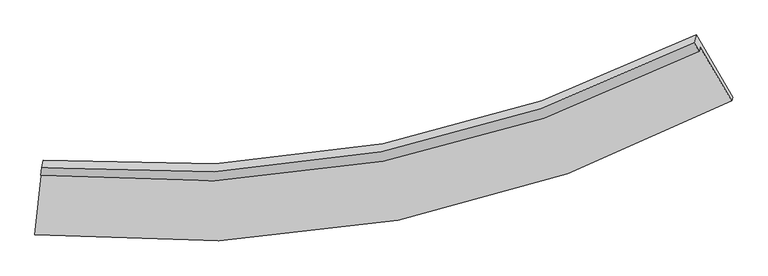
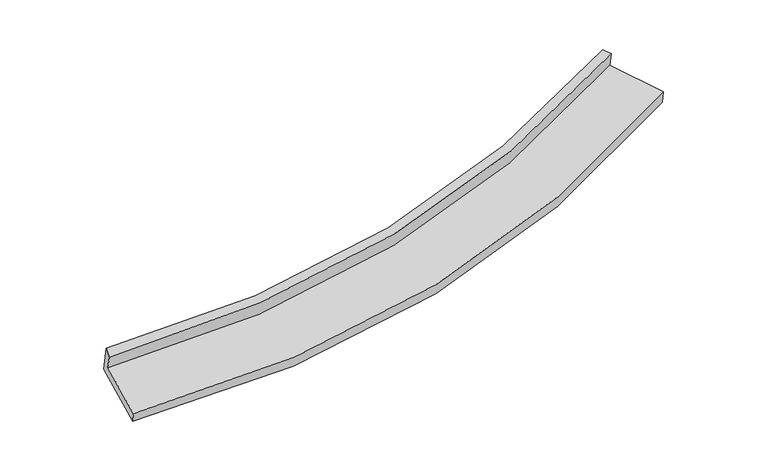
"""IFC4 building model written with IfcOpenShell, lengths in millimetres: proxy geometry."""

import ifcopenshell
import ifcopenshell.guid

model = None  # the IFC model being written
_history = None  # IfcOwnerHistory: only IFC2X3 demands one
_inside = {}  # id of a spatial element -> (the spatial element, [elements in it])
_under = {}  # id of a project, library or spatial element -> (it, [spatial elements below it])
_declared = {}  # id of a project -> (the project, [libraries it declares])
_typed = {}  # id of a type object -> (the type object, [elements of that type])
_made_of = {}  # id of a material, layer set ... -> (it, [elements and type objects made of it])


def new_model(schema):
    """Start an empty IFC model of exactly this schema.

    Asked for "IFC4X3", IfcOpenShell would pick the latest addendum, in which some entities
    have other attributes; the version numbers below select the first issue.
    IFC2X3 requires an IfcOwnerHistory on every rooted entity: one is made here for all.
    """
    global model, _history
    if schema == "IFC4X3":
        model = ifcopenshell.file(schema_version=(4, 3, 0, 0))
    else:
        model = ifcopenshell.file(schema=schema)
    _inside.clear()
    _under.clear()
    _declared.clear()
    _typed.clear()
    _made_of.clear()
    _history = None
    if model.schema == "IFC2X3":
        org = make("IfcOrganization", Name="unknown")
        user = make(
            "IfcPersonAndOrganization",
            ThePerson=make("IfcPerson", FamilyName="unknown"),
            TheOrganization=org,
        )
        app = make(
            "IfcApplication",
            ApplicationDeveloper=org,
            Version="unknown",
            ApplicationFullName="unknown",
            ApplicationIdentifier="unknown",
        )
        _history = make(
            "IfcOwnerHistory",
            OwningUser=user,
            OwningApplication=app,
            ChangeAction="ADDED",
            CreationDate=0,
        )
    return model


def make(cls, **values):
    """One entity of the class cls with the attributes given. An attribute that is None is left unset."""
    return model.create_entity(
        cls, **{name: value for name, value in values.items() if value is not None}
    )


def rooted(cls, **values):
    """An entity with a GlobalId (a new one), such as an element, a storey or a relation."""
    return make(cls, GlobalId=ifcopenshell.guid.new(), OwnerHistory=_history, **values)


def si_unit(unit_type, name, prefix=None):
    """IfcSIUnit, for example si_unit("LENGTHUNIT", "METRE", prefix="MILLI")."""
    return make("IfcSIUnit", UnitType=unit_type, Prefix=prefix, Name=name)


def assignment(units):
    """IfcUnitAssignment: the units of a project."""
    return None if units is None else make("IfcUnitAssignment", Units=units)


def point(xyz):
    """IfcCartesianPoint."""
    return None if xyz is None else make("IfcCartesianPoint", Coordinates=xyz)


def direction(xyz):
    """IfcDirection."""
    return None if xyz is None else make("IfcDirection", DirectionRatios=xyz)


def frame(location, z_axis=None, x_axis=None):
    """IfcAxis2Placement3D, a coordinate frame: its origin and axes. An axis left out is left unset."""
    return make(
        "IfcAxis2Placement3D",
        Location=point(location),
        Axis=direction(z_axis),
        RefDirection=direction(x_axis),
    )


def origin():
    """The frame at (0, 0, 0) with its axes left unset."""
    return frame((0.0, 0.0, 0.0))


def place(relative_to, where):
    """IfcLocalPlacement: puts the frame where relative to a parent placement (None: the world)."""
    return make(
        "IfcLocalPlacement", PlacementRelTo=relative_to, RelativePlacement=where
    )


def context(
    kind, dimensions, precision=None, world=None, true_north=None, identifier=None
):
    """IfcGeometricRepresentationContext, for example the 3D "Model" context."""
    return make(
        "IfcGeometricRepresentationContext",
        ContextIdentifier=identifier,
        ContextType=kind,
        CoordinateSpaceDimension=dimensions,
        Precision=precision,
        WorldCoordinateSystem=world,
        TrueNorth=true_north,
    )


def project(units=None, contexts=None):
    """IfcProject with its units and contexts."""
    return rooted(
        "IfcProject",
        Name="project",
        RepresentationContexts=contexts,
        UnitsInContext=assignment(units),
    )


def spatial(cls, under=None, at=None, **own):
    """A site, building, storey or space (cls), placed at a placement, below another one or the project."""
    s = rooted(cls, ObjectPlacement=at, **own)
    if under is not None:
        _under.setdefault(under.id(), (under, []))[1].append(s)
    return s


def shape(context_of_items, identifier, shape_type, items):
    """IfcShapeRepresentation: the items that make up one representation, for example the "Body"."""
    return make(
        "IfcShapeRepresentation",
        ContextOfItems=context_of_items,
        RepresentationIdentifier=identifier,
        RepresentationType=shape_type,
        Items=items,
    )


def source(mapping_origin, context_of_items, identifier, shape_type, items):
    """IfcRepresentationMap: a shape defined once, which mapped items show again and again."""
    return make(
        "IfcRepresentationMap",
        MappingOrigin=mapping_origin,
        MappedRepresentation=shape(context_of_items, identifier, shape_type, items),
    )


def transform(
    local_origin,
    x_axis=None,
    y_axis=None,
    z_axis=None,
    scale=None,
    scale2=None,
    scale3=None,
    uniform=True,
):
    """IfcCartesianTransformationOperator3D, or its non-uniform kind. x_axis, y_axis, z_axis: its Axis1, 2, 3."""
    if uniform:
        return make(
            "IfcCartesianTransformationOperator3D",
            Axis1=direction(x_axis),
            Axis2=direction(y_axis),
            LocalOrigin=point(local_origin),
            Scale=scale,
            Axis3=direction(z_axis),
        )
    return make(
        "IfcCartesianTransformationOperator3DnonUniform",
        Axis1=direction(x_axis),
        Axis2=direction(y_axis),
        LocalOrigin=point(local_origin),
        Scale=scale,
        Axis3=direction(z_axis),
        Scale2=scale2,
        Scale3=scale3,
    )


def mapped(mapping_source, mapping_target):
    """IfcMappedItem: shows the shape of a source again, moved by a transform."""
    return make(
        "IfcMappedItem", MappingSource=mapping_source, MappingTarget=mapping_target
    )


def made_of(thing, what):
    """Note that an element or type object is made of a material, layer set ...; save() writes the relation."""
    if what is not None:
        _made_of.setdefault(what.id(), (what, []))[1].append(thing)
    return thing


def element(
    cls,
    number,
    at=None,
    inside=None,
    cuts=None,
    type_object=None,
    material=None,
    context=None,
    identifier="Body",
    shape_type=None,
    held_by="IfcProductDefinitionShape",
    body=None,
    shapes=None,
    **own,
):
    """One element of the class cls, such as IfcWall. Its Tag is "e" and its number.

    at: its placement. inside: the storey or other place that contains it. cuts: it is an
    opening in that element (IfcRelVoidsElement). A single representation is given by context,
    identifier, shape_type and body (its items); several are given by shapes. held_by: the class
    of the entity that holds the representations. save() writes the other relations.
    """
    e = rooted(cls, Tag="e%d" % number, ObjectPlacement=at, **own)
    if body is not None:
        shapes = [shape(context, identifier, shape_type, body)]
    if shapes is not None:
        e.Representation = make(held_by, Representations=shapes)
    if inside is not None:
        _inside.setdefault(inside.id(), (inside, []))[1].append(e)
    if cuts is not None:
        rooted(
            "IfcRelVoidsElement", RelatingBuildingElement=cuts, RelatedOpeningElement=e
        )
    if type_object is not None:
        _typed.setdefault(type_object.id(), (type_object, []))[1].append(e)
    return made_of(e, material)


def aggregate(whole, parts):
    """IfcRelAggregates: a whole, such as a stair, and the parts it consists of."""
    return rooted("IfcRelAggregates", RelatingObject=whole, RelatedObjects=parts)


def save(model, path):
    """Write the relations noted so far, then the file.

    IfcRelAggregates (storeys below a building ...), IfcRelContainedInSpatialStructure (elements
    in a storey), IfcRelDefinesByType, IfcRelAssociatesMaterial and IfcRelDeclares: one each for
    every whole, place, type object, material and project.
    """
    for whole, parts in _under.values():
        aggregate(whole, parts)
    for where, things in _inside.values():
        rooted(
            "IfcRelContainedInSpatialStructure",
            RelatedElements=things,
            RelatingStructure=where,
        )
    for kind, things in _typed.values():
        rooted("IfcRelDefinesByType", RelatedObjects=things, RelatingType=kind)
    for what, things in _made_of.values():
        rooted("IfcRelAssociatesMaterial", RelatedObjects=things, RelatingMaterial=what)
    for by, libraries in _declared.values():
        rooted("IfcRelDeclares", RelatingContext=by, RelatedDefinitions=libraries)
    model.write(path)


def plane_surface(at):
    """IfcPlane: the flat surface through the origin of the frame at, square to its z axis."""
    return make("IfcPlane", Position=at)


def spline_curve(degree, points, multiplicities, knots, weights=None):
    """IfcBSplineCurveWithKnots; with weights, IfcRationalBSplineCurveWithKnots."""
    own = dict(
        Degree=degree,
        ControlPointsList=[point(p) for p in points],
        CurveForm="UNSPECIFIED",
        ClosedCurve=False,
        SelfIntersect=False,
        KnotMultiplicities=multiplicities,
        Knots=knots,
        KnotSpec="UNSPECIFIED",
    )
    if weights is None:
        return make("IfcBSplineCurveWithKnots", **own)
    return make("IfcRationalBSplineCurveWithKnots", WeightsData=weights, **own)


def spline_surface(u_degree, v_degree, points, u_multiplicities, v_multiplicities, u_knots, v_knots, weights=None):
    """IfcBSplineSurfaceWithKnots; with weights, IfcRationalBSplineSurfaceWithKnots. points: one row for each step in u."""
    own = dict(
        UDegree=u_degree,
        VDegree=v_degree,
        ControlPointsList=[[point(p) for p in row] for row in points],
        SurfaceForm="UNSPECIFIED",
        UClosed=False,
        VClosed=False,
        SelfIntersect=False,
        UMultiplicities=u_multiplicities,
        VMultiplicities=v_multiplicities,
        UKnots=u_knots,
        VKnots=v_knots,
        KnotSpec="UNSPECIFIED",
    )
    if weights is None:
        return make("IfcBSplineSurfaceWithKnots", **own)
    return make("IfcRationalBSplineSurfaceWithKnots", WeightsData=weights, **own)


def advanced_brep(points, edges, surfaces, faces):
    """IfcAdvancedBrep: a solid bounded by faces that lie on surfaces and meet in shared edges.

    An edge is (start, end): straight between two places in points (the first is 0);
    or (start, end, curve); or (start, end, curve, False) where it runs against its curve.
    A face is (place in surfaces, loops), or (place, loops, False) where it looks against
    its surface's normal. A loop lists edges by number (the first is 1), with a minus sign
    where the edge is run from its end to its start. The first loop is the outer one.
    """
    corners = [point(p) for p in points]
    vertices = [make("IfcVertexPoint", VertexGeometry=c) for c in corners]
    made = []
    for start, end, *more in edges:
        made.append(
            make(
                "IfcEdgeCurve",
                EdgeStart=vertices[start],
                EdgeEnd=vertices[end],
                EdgeGeometry=more[0] if more else make("IfcPolyline", Points=[corners[start], corners[end]]),
                SameSense=more[1] if len(more) > 1 else True,
            )
        )
    hull = []
    for where, loops, *sense in faces:
        bounds = []
        for j, loop in enumerate(loops):
            ring = [make("IfcOrientedEdge", EdgeElement=made[abs(k) - 1], Orientation=k > 0) for k in loop]
            bounds.append(
                make(
                    "IfcFaceOuterBound" if j == 0 else "IfcFaceBound",
                    Bound=make("IfcEdgeLoop", EdgeList=ring),
                    Orientation=True,
                )
            )
        hull.append(make("IfcAdvancedFace", Bounds=bounds, FaceSurface=surfaces[where], SameSense=sense[0] if sense else True))
    return make("IfcAdvancedBrep", Outer=make("IfcClosedShell", CfsFaces=hull))


def generic_models_39ae830a(model_context):
    return source(origin(), model_context, "Body", "AdvancedBrep", [
        advanced_brep(
        [(-3943.6953996, -2029.8104341, 1826.0797557), (-3933.3746389, -1984.1083365, 1641.4938971), (3735.4708252, -542.9864962, 2441.2224591), (3724.6779846, -590.7790444, 2634.2514228), (-3936.0391769, -1946.0717826, 1898.2669923), (3665.945916, -490.9016841, 2655.6964309), (-3915.783027, -1856.3740785, 1535.987609), (3686.8979493, -398.122489, 2280.9712369), (-4005.7778547, -2688.7781424, 1324.8586137), (4112.3259841, -1121.5880515, 2125.6334822), (-4013.032909, -2720.9047668, 1454.6145956), (4102.1667913, -1166.5746984, 2307.3297126)],
        [
            (0, 1),
            (1, 2, spline_curve(3, [(-3933.3746389, -1984.1083365, 1641.4938971), (-2563.070183716, -2123.462243835, 1686.505793707), (-1233.752552593, -2070.398866589, 1776.603803841), (1321.156911283, -1583.582233164, 2044.689604563), (2548.121101889, -1156.271663973, 2221.167781891), (3735.4708252, -542.9864962, 2441.2224591)], [4, 2, 4], [0.0, 13.123740120698029, 26.025899298714386])),
            (2, 3),
            (3, 0, spline_curve(3, [(3724.6779846, -590.7790444, 2634.2514228), (2536.227351442, -1201.473207448, 2420.046179865), (1308.746692708, -1627.305994393, 2245.825958198), (-1246.025658055, -2113.387245213, 1975.050208145), (-2574.669460929, -2167.231588104, 1879.879874325), (-3943.6953996, -2029.8104341, 1826.0797557)], [4, 2, 4], [0.0, 12.902159178016356, 26.025899298714386])),
            (4, 0),
            (3, 5),
            (5, 4, spline_curve(3, [(3665.945916, -490.9016841, 2655.6964309), (2489.507214404, -1090.770914938, 2436.553408273), (1273.522210129, -1512.467244338, 2264.00010004), (-1259.102824661, -2003.696357261, 2009.909620613), (-2577.112851683, -2067.056727507, 1929.98644947), (-3936.0391769, -1946.0717826, 1898.2669923)], [4, 2, 4], [0.0, 12.843243392146892, 25.90705591064366])),
            (6, 4),
            (5, 7),
            (7, 6, spline_curve(3, [(3686.8979493, -398.122489, 2280.9712369), (2510.307684831, -998.662864999, 2064.538897881), (1294.189247587, -1420.950060992, 1894.372036555), (-1238.668377158, -1913.209118818, 1644.441393374), (-2556.776931538, -1977.005785972, 1566.280378756), (-3915.783027, -1856.3740785, 1535.987609)], [4, 2, 4], [0.0, 12.786061342158462, 25.79170976941571])),
            (8, 6),
            (7, 9),
            (9, 8, spline_curve(3, [(4112.3259841, -1121.5880515, 2125.6334822), (2859.549457936, -1787.987715237, 1888.635062064), (1562.789924769, -2252.409198609, 1703.527171164), (-1141.720992366, -2781.802991247, 1434.804579893), (-2550.996071732, -2839.778204893, 1352.987514829), (-4005.7778547, -2688.7781424, 1324.8586137)], [4, 2, 4], [0.0, 13.230267025341622, 26.687749898740712])),
            (10, 8),
            (9, 11),
            (11, 10, spline_curve(3, [(4102.1667913, -1166.5746984, 2307.3297126), (2849.383185715, -1833.005711069, 2070.457907423), (1552.857991101, -2296.389504281, 1881.158896909), (-1150.693243492, -2821.533657124, 1595.272468186), (-2559.234614981, -2876.259886807, 1500.333106171), (-4013.032909, -2720.9047668, 1454.6145956)], [4, 2, 4], [0.0, 13.674489779763487, 27.5838244637236])),
            (1, 10),
            (11, 2),
        ],
        [
            spline_surface(3, 3, [[(-3943.6953996, -2029.8104341, 1826.0797557), (-2574.669460715, -2167.231588299, 1879.879874419), (-1246.025658113, -2113.387245354, 1975.050208185), (1308.746692764, -1627.305994255, 2245.82595816), (2536.227351537, -1201.473207347, 2420.046180079), (3724.6779846, -590.7790444, 2634.2514228)], [(-3940.255146031, -2014.576401565, 1764.551136182), (-2570.80303504, -2152.641806746, 1815.421847597), (-1241.934622999, -2099.057785711, 1908.901406775), (1312.883432296, -1612.731407272, 2178.780506959), (2540.191934949, -1186.406026167, 2353.753380676), (3728.275598124, -574.848195007, 2569.908434911)], [(-3936.814892469, -1999.342369035, 1703.022516618), (-2566.936609371, -2138.052025197, 1750.963820728), (-1237.843587835, -2084.728326077, 1842.75260531), (1317.020171878, -1598.156820298, 2111.735055705), (2544.156518389, -1171.338844967, 2287.460581241), (3731.873211676, -558.917345593, 2505.565446989)], [(-3933.3746389, -1984.1083365, 1641.4938971), (-2563.070183695, -2123.462243644, 1686.505793906), (-1233.752552722, -2070.398866435, 1776.6038039), (1321.15691141, -1583.582233316, 2044.689604505), (2548.121101801, -1156.271663788, 2221.167781838), (3735.4708252, -542.9864962, 2441.2224591)]], [4, 4], [4, 2, 4], [0.0, 0.6718807574765078], [0.0, 13.123740120698029, 26.025899298714386]),
            spline_surface(3, 3, [[(-3936.0391769, -1946.0717826, 1898.2669923), (-2577.112851873, -2067.056727424, 1929.986449561), (-1259.102824842, -2003.696357292, 2009.909620779), (1273.522210306, -1512.467244308, 2264.000099876), (2489.507214249, -1090.770914922, 2436.553408158), (3665.945916, -490.9016841, 2655.6964309)], [(-3938.591251137, -1973.984666436, 1874.204580097), (-2576.298388157, -2100.448347718, 1913.284257844), (-1254.743769238, -2040.259986655, 1998.289816554), (1285.263704486, -1550.746827633, 2257.942052611), (2505.080593358, -1127.671679034, 2431.050998785), (3685.523272213, -524.194137504, 2648.548094854)], [(-3941.143325363, -2001.897550264, 1850.142167903), (-2575.483924431, -2133.839968005, 1896.582066136), (-1250.384713717, -2076.82361599, 1986.67001241), (1297.005198584, -1589.02641093, 2251.884005426), (2520.653972429, -1164.572443235, 2425.548589451), (3705.100628387, -557.486590996, 2641.399758846)], [(-3943.6953996, -2029.8104341, 1826.0797557), (-2574.669460715, -2167.231588299, 1879.879874419), (-1246.025658113, -2113.387245354, 1975.050208185), (1308.746692764, -1627.305994255, 2245.82595816), (2536.227351537, -1201.473207347, 2420.046180079), (3724.6779846, -590.7790444, 2634.2514228)]], [4, 4], [4, 2, 4], [0.0, 0.38650167798463275], [0.0, 13.063812518496768, 25.90705591064366]),
            spline_surface(3, 3, [[(-3915.783027, -1856.3740785, 1535.987609), (-2556.776931515, -1977.005786061, 1566.280378936), (-1238.668376946, -1913.209118768, 1644.44139346), (1294.189247378, -1420.95006104, 1894.37203647), (2510.307684916, -998.662865142, 2064.538897949), (3686.8979493, -398.122489, 2280.9712369)], [(-3922.535076972, -1886.273313222, 1656.747403417), (-2563.555571639, -2007.022766537, 1687.515735795), (-1245.479859598, -1943.371531584, 1766.264135904), (1287.300235001, -1451.455788771, 2017.581390943), (2503.374194688, -1029.365548421, 2188.543734704), (3679.913938194, -429.048887386, 2405.879634919)], [(-3929.287126928, -1916.172547878, 1777.507197883), (-2570.334211748, -2037.039746947, 1808.751092702), (-1252.29134219, -1973.533944476, 1888.086878336), (1280.411222683, -1481.961516577, 2140.790745404), (2496.440704477, -1060.068231643, 2312.548571402), (3672.929927106, -459.975285714, 2530.788032881)], [(-3936.0391769, -1946.0717826, 1898.2669923), (-2577.112851873, -2067.056727424, 1929.986449561), (-1259.102824842, -2003.696357292, 2009.909620779), (1273.522210306, -1512.467244308, 2264.000099876), (2489.507214249, -1090.770914922, 2436.553408158), (3665.945916, -490.9016841, 2655.6964309)]], [4, 4], [4, 2, 4], [0.0, 1.2439866807921391], [0.0, 13.005648427257249, 25.79170976941571]),
            spline_surface(3, 3, [[(-4005.7778547, -2688.7781424, 1324.8586137), (-2550.996071909, -2839.7782048, 1352.987514908), (-1141.720992335, -2781.802991277, 1434.804580064), (1562.789924739, -2252.40919858, 1703.527170995), (2859.549458143, -1787.987715176, 1888.635062014), (4112.3259841, -1121.5880515, 2125.6334822)], [(-3975.77957881, -2411.310121075, 1395.234945461), (-2552.92302512, -2552.187398528, 1424.085136245), (-1174.036787212, -2492.27170045, 1504.683517856), (1473.256365612, -1975.256152743, 1767.142126147), (2743.135533744, -1524.879431837, 1947.269673973), (3970.516639177, -880.432864006, 2177.412733747)], [(-3945.78130289, -2133.842099825, 1465.611277239), (-2554.849978303, -2264.596592333, 1495.182757599), (-1206.352582069, -2202.740409595, 1574.562455668), (1383.722806505, -1698.103106877, 1830.757081318), (2626.721609315, -1261.771148481, 2005.90428599), (3828.707294223, -639.277676494, 2229.191985353)], [(-3915.783027, -1856.3740785, 1535.987609), (-2556.776931515, -1977.005786061, 1566.280378936), (-1238.668376946, -1913.209118768, 1644.44139346), (1294.189247378, -1420.95006104, 1894.37203647), (2510.307684916, -998.662865142, 2064.538897949), (3686.8979493, -398.122489, 2280.9712369)]], [4, 4], [4, 2, 4], [0.0, 2.9273249021885603], [0.0, 13.45748287339909, 26.687749898740712]),
            spline_surface(3, 3, [[(-4013.032909, -2720.9047668, 1454.6145956), (-2559.234615151, -2876.259886825, 1500.333106321), (-1150.693243365, -2821.533657226, 1595.272468258), (1552.857990976, -2296.389504181, 1881.158896838), (2849.383185922, -1833.005710967, 2070.457907218), (4102.1667913, -1166.5746984, 2307.3297126)], [(-4010.614557545, -2710.195892, 1411.362601649), (-2556.488434048, -2864.09932615, 1451.2179092), (-1147.702492994, -2808.290101905, 1541.783172199), (1556.168635591, -2281.729402309, 1821.948321564), (2852.771943311, -1817.999712344, 2009.850292153), (4105.553188882, -1151.579149407, 2246.76430247)], [(-4008.196206155, -2699.4870172, 1368.110607651), (-2553.742253011, -2851.938765475, 1402.10271203), (-1144.711742706, -2795.046546598, 1488.293876122), (1559.479280124, -2267.069300452, 1762.73774627), (2856.160700755, -1802.993713799, 1949.242677079), (4108.939586518, -1136.583600493, 2186.19889233)], [(-4005.7778547, -2688.7781424, 1324.8586137), (-2550.996071909, -2839.7782048, 1352.987514908), (-1141.720992335, -2781.802991277, 1434.804580064), (1562.789924739, -2252.40919858, 1703.527170995), (2859.549458143, -1787.987715176, 1888.635062014), (4112.3259841, -1121.5880515, 2125.6334822)]], [4, 4], [4, 2, 4], [0.0, 0.5717154210636511], [0.0, 13.909334683960115, 27.5838244637236]),
            spline_surface(3, 3, [[(-3933.3746389, -1984.1083365, 1641.4938971), (-2563.070183695, -2123.462243644, 1686.505793906), (-1233.752552722, -2070.398866435, 1776.6038039), (1321.15691141, -1583.582233316, 2044.689604505), (2548.121101801, -1156.271663788, 2221.167781838), (3735.4708252, -542.9864962, 2441.2224591)], [(-3959.927395606, -2229.707146603, 1579.200796593), (-2561.791660853, -2374.394791374, 1624.448231371), (-1206.066116281, -2320.777130046, 1716.160025358), (1398.390604587, -1821.184656952, 1990.179368621), (2648.541796519, -1381.849679538, 2170.931156963), (3857.702813911, -750.84923029, 2396.591543599)], [(-3986.480152294, -2475.305956697, 1516.907696107), (-2560.513137993, -2625.327339095, 1562.390668857), (-1178.379679806, -2571.155393615, 1655.7162468), (1475.624297799, -2058.787080545, 1935.669132722), (2748.962491204, -1607.427695217, 2120.694532092), (3979.934802589, -958.71196431, 2351.960628101)], [(-4013.032909, -2720.9047668, 1454.6145956), (-2559.234615151, -2876.259886825, 1500.333106321), (-1150.693243365, -2821.533657226, 1595.272468258), (1552.857990976, -2296.389504181, 1881.158896838), (2849.383185922, -1833.005710967, 2070.457907218), (4102.1667913, -1166.5746984, 2307.3297126)]], [4, 4], [4, 2, 4], [0.0, 2.5209360178095435], [0.0, 13.517208640701856, 26.806193024790478]),
            plane_surface(frame((3837.9142418, -718.4920773, 2407.5174574), z_axis=(0.8652338159542386, 0.4732477831473633, 0.16555053450645485), x_axis=(-0.4984309400263582, 0.8476113253315457, 0.1819935141540531))),
            plane_surface(frame((-3957.950501, -2204.3412568, 1613.5502439), z_axis=(-0.9930760550776204, 0.11427303000646787, -0.02723276417502025), x_axis=(-0.054194480841639636, -0.2399824512662939, 0.9692633188821942))),
        ],
        [
            (0, [[1, 2, 3, 4]]),
            (1, [[5, -4, 6, 7]]),
            (2, [[8, -7, 9, 10]]),
            (3, [[11, -10, 12, 13]]),
            (4, [[14, -13, 15, 16]]),
            (5, [[17, -16, 18, -2]]),
            (6, [[-12, -9, -6, -3, -18, -15]]),
            (7, [[-1, -5, -8, -11, -14, -17]]),
        ],
    ),
    ])


if __name__ == "__main__":
    model = new_model("IFC4")
    model_context = context("Model", 3, world=origin())
    ifc_project = project(units=[si_unit("LENGTHUNIT", "METRE", prefix="MILLI")], contexts=[model_context])
    site = spatial("IfcSite", under=ifc_project)
    building = spatial("IfcBuilding", under=site)
    placement = place(None, origin())
    generic_models_shape = generic_models_39ae830a(model_context)
    element("IfcBuildingElementProxy", 1, Name="Generic Models", at=placement, inside=building, context=model_context, shape_type="MappedRepresentation", body=[
        mapped(generic_models_shape, transform((0.0, 0.0, 0.0), x_axis=(1.0, 0.0, 0.0), y_axis=(0.0, 1.0, 0.0), z_axis=(0.0, 0.0, 1.0))),
    ])
    save(model, "model.ifc")
